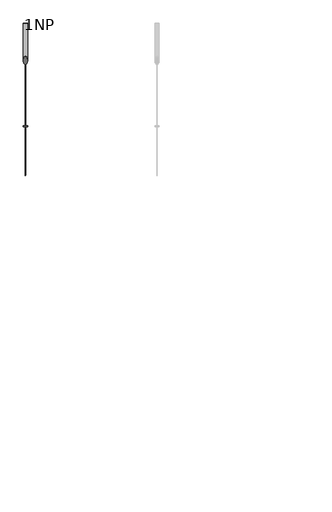
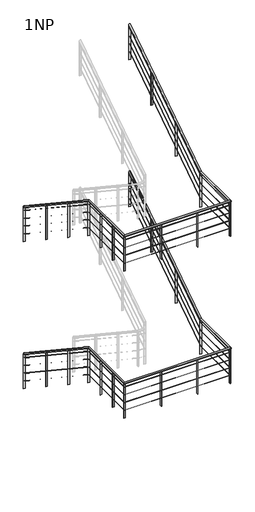
# One storey, part 12 of 52: 1 railing.
"""IFC4 building model written with IfcOpenShell, lengths in millimetres."""

from ifc_helpers import new_model, si_unit, frame, origin, place, context, project, spatial, polyline, ellipse_curve, outline, extrude, element, save
from ifc_brep_helpers import plane_surface, cylinder_surface, advanced_brep

model = new_model("IFC4")

# Units and contexts
model_context = context("Model", 3, world=origin())
ifc_project = project(units=[si_unit("LENGTHUNIT", "METRE", prefix="MILLI")], contexts=[model_context])

# Site, building, storey
site = spatial("IfcSite", under=ifc_project)
building = spatial("IfcBuilding", under=site)
storey = spatial("IfcBuildingStorey", under=building, Name="1NP", Elevation=0.0)

# Railing
placement = place(None, origin())
element("IfcRailing", 1, ObjectType="Stahl (1) - Horizontal", at=placement, inside=storey, context=model_context, shape_type="SolidModel", body=[
    advanced_brep(
    [(30614.131711, 10995.8490399, 4776.9604138), (30574.131711, 10995.8490399, 4776.9604138), (30614.131711, 8258.8719401, 6590.4761905), (30574.131711, 8258.8719401, 6590.4761905), (30614.131711, 6770.6722609, 6590.4761905), (30574.131711, 6730.6722609, 6590.4761905), (33153.2728059, 6770.6722609, 6590.4761905), (33193.2728059, 6730.6722609, 6590.4761905), (33153.2728059, 7997.8261397, 6590.4761905), (33193.2728059, 7997.8261397, 6590.4761905), (33153.2728059, 10995.8490399, 8576.9604138), (33193.2728059, 10995.8490399, 8576.9604138)],
    [
        (0, 1, ellipse_curve(frame((30594.131711, 10995.8490399, 4776.9604138), z_axis=(0.0, 1.0, 0.0), x_axis=(0.0, 0.0, -1.0)), 23.9919671, 20.0)),
        (1, 0, ellipse_curve(frame((30594.131711, 10995.8490399, 4776.9604138), z_axis=(0.0, 1.0, 0.0), x_axis=(0.0, 0.0, -1.0)), 23.9919671, 20.0)),
        (0, 2),
        (2, 3, ellipse_curve(frame((30594.131711, 8258.8719401, 6590.4761905), z_axis=(0.0, 0.9574999596457314, -0.28843340180780547), x_axis=(0.0, -0.28843340180780597, -0.9574999596457312)), 20.8877293, 20.0)),
        (3, 1),
        (3, 2, ellipse_curve(frame((30594.131711, 8258.8719401, 6590.4761905), z_axis=(0.0, 0.9574999596457314, -0.28843340180780547), x_axis=(0.0, -0.28843340180780597, -0.9574999596457312)), 20.8877293, 20.0)),
        (2, 4),
        (4, 5, ellipse_curve(frame((30594.131711, 6750.6722609, 6590.4761905), z_axis=(-0.7071067811865475, 0.7071067811865475, 0.0), x_axis=(0.7071067811865474, 0.7071067811865476, 0.0)), 28.2842712, 20.0)),
        (5, 3),
        (5, 4, ellipse_curve(frame((30594.131711, 6750.6722609, 6590.4761905), z_axis=(-0.7071067811865475, 0.7071067811865475, 0.0), x_axis=(0.7071067811865474, 0.7071067811865476, 0.0)), 28.2842712, 20.0)),
        (4, 6),
        (6, 7, ellipse_curve(frame((33173.2728059, 6750.6722609, 6590.4761905), z_axis=(-0.7071067811865475, -0.7071067811865475, 0.0), x_axis=(-0.7071067811865476, 0.7071067811865474, 0.0)), 28.2842712, 20.0)),
        (7, 5),
        (7, 6, ellipse_curve(frame((33173.2728059, 6750.6722609, 6590.4761905), z_axis=(-0.7071067811865475, -0.7071067811865475, 0.0), x_axis=(-0.7071067811865476, 0.7071067811865474, 0.0)), 28.2842712, 20.0)),
        (6, 8),
        (8, 9, ellipse_curve(frame((33173.2728059, 7997.8261397, 6590.4761905), z_axis=(0.0, -0.9574999596457313, -0.2884334018078055), x_axis=(0.0, -0.28843340180780547, 0.9574999596457313)), 20.8877293, 20.0)),
        (9, 7),
        (9, 8, ellipse_curve(frame((33173.2728059, 7997.8261397, 6590.4761905), z_axis=(0.0, -0.9574999596457313, -0.2884334018078055), x_axis=(0.0, -0.28843340180780547, 0.9574999596457313)), 20.8877293, 20.0)),
        (10, 11, ellipse_curve(frame((33173.2728059, 10995.8490399, 8576.9604138), z_axis=(0.0, 1.0, 0.0), x_axis=(0.0, 0.0, -1.0)), 23.9919671, 20.0)),
        (11, 10, ellipse_curve(frame((33173.2728059, 10995.8490399, 8576.9604138), z_axis=(0.0, 1.0, 0.0), x_axis=(0.0, 0.0, -1.0)), 23.9919671, 20.0)),
        (8, 10),
        (11, 9),
    ],
    [
        plane_surface(frame((30594.131711, 10995.8490399, 4800.952381), z_axis=(0.0, 1.0, 0.0), x_axis=(0.0, 0.0, -1.0))),
        cylinder_surface(frame((30594.131711, 10984.8020411, 4784.280134), z_axis=(0.0, 0.8336123454431542, -0.5523499411829094), x_axis=(-1.0, 0.0, 0.0)), 20.0),
        cylinder_surface(frame((30594.131711, 8264.896659, 6590.4761905), z_axis=(0.0, 1.0, 0.0), x_axis=(-1.0, 0.0, 0.0)), 20.0),
        cylinder_surface(frame((30594.131711, 6750.6722609, 6590.4761905), z_axis=(-1.0, 0.0, 0.0), x_axis=(0.0, -1.0, 0.0)), 20.0),
        cylinder_surface(frame((33173.2728059, 6750.6722609, 6590.4761905), z_axis=(0.0, -1.0, 0.0), x_axis=(1.0, 0.0, 0.0)), 20.0),
        plane_surface(frame((33173.2728059, 10995.8490399, 8600.952381), z_axis=(0.0, 1.0, 0.0), x_axis=(0.0, 0.0, 1.0))),
        cylinder_surface(frame((33173.2728059, 8002.8484197, 6593.8039436), z_axis=(0.0, -0.8336123454431541, -0.5523499411829096), x_axis=(1.0, 0.0, 0.0)), 20.0),
    ],
    [
        (0, [[1, 2]]),
        (1, [[-1, 3, 4, 5]]),
        (1, [[-2, -5, 6, -3]]),
        (2, [[-4, 7, 8, 9]]),
        (2, [[-6, -9, 10, -7]]),
        (3, [[-8, 11, 12, 13]]),
        (3, [[-10, -13, 14, -11]]),
        (4, [[-12, 15, 16, 17]]),
        (4, [[-14, -17, 18, -15]]),
        (5, [[19, 20]]),
        (6, [[-16, 21, -20, 22]]),
        (6, [[-18, -22, -19, -21]]),
    ],
),
    advanced_brep(
    [(30595.631711, 10995.8490399, 4679.1529834), (30592.631711, 10995.8490399, 4679.1529834), (30595.631711, 8264.4448051, 6488.9761905), (30592.631711, 8264.4448051, 6488.9761905), (30595.631711, 6752.1722609, 6488.9761905), (30592.631711, 6749.1722609, 6488.9761905), (33171.7728059, 6752.1722609, 6488.9761905), (33174.7728059, 6749.1722609, 6488.9761905), (33171.7728059, 7992.2532748, 6488.9761905), (33174.7728059, 7992.2532748, 6488.9761905), (33171.7728059, 10995.8490399, 8479.1529834), (33174.7728059, 10995.8490399, 8479.1529834)],
    [
        (0, 1, ellipse_curve(frame((30594.131711, 10995.8490399, 4679.1529834), z_axis=(0.0, 1.0, 0.0), x_axis=(0.0, 0.0, -1.0)), 1.7993975, 1.5)),
        (1, 0, ellipse_curve(frame((30594.131711, 10995.8490399, 4679.1529834), z_axis=(0.0, 1.0, 0.0), x_axis=(0.0, 0.0, -1.0)), 1.7993975, 1.5)),
        (0, 2),
        (2, 3, ellipse_curve(frame((30594.131711, 8264.4448051, 6488.9761905), z_axis=(0.0, 0.9574999596457314, -0.28843340180780547), x_axis=(0.0, -0.28843340180780636, -0.9574999596457312)), 1.5665797, 1.5)),
        (3, 1),
        (3, 2, ellipse_curve(frame((30594.131711, 8264.4448051, 6488.9761905), z_axis=(0.0, 0.9574999596457314, -0.28843340180780547), x_axis=(0.0, -0.28843340180780636, -0.9574999596457312)), 1.5665797, 1.5)),
        (2, 4),
        (4, 5, ellipse_curve(frame((30594.131711, 6750.6722609, 6488.9761905), z_axis=(-0.7071067811865475, 0.7071067811865475, 0.0), x_axis=(0.7071067811865474, 0.7071067811865476, 0.0)), 2.1213203, 1.5)),
        (5, 3),
        (5, 4, ellipse_curve(frame((30594.131711, 6750.6722609, 6488.9761905), z_axis=(-0.7071067811865475, 0.7071067811865475, 0.0), x_axis=(0.7071067811865474, 0.7071067811865476, 0.0)), 2.1213203, 1.5)),
        (4, 6),
        (6, 7, ellipse_curve(frame((33173.2728059, 6750.6722609, 6488.9761905), z_axis=(-0.7071067811865475, -0.7071067811865475, 0.0), x_axis=(-0.7071067811865476, 0.7071067811865474, 0.0)), 2.1213203, 1.5)),
        (7, 5),
        (7, 6, ellipse_curve(frame((33173.2728059, 6750.6722609, 6488.9761905), z_axis=(-0.7071067811865475, -0.7071067811865475, 0.0), x_axis=(-0.7071067811865476, 0.7071067811865474, 0.0)), 2.1213203, 1.5)),
        (6, 8),
        (8, 9, ellipse_curve(frame((33173.2728059, 7992.2532748, 6488.9761905), z_axis=(0.0, -0.9574999596457313, -0.2884334018078055), x_axis=(0.0, -0.28843340180780536, 0.9574999596457313)), 1.5665797, 1.5)),
        (9, 7),
        (9, 8, ellipse_curve(frame((33173.2728059, 7992.2532748, 6488.9761905), z_axis=(0.0, -0.9574999596457313, -0.2884334018078055), x_axis=(0.0, -0.28843340180780536, 0.9574999596457313)), 1.5665797, 1.5)),
        (10, 11, ellipse_curve(frame((33173.2728059, 10995.8490399, 8479.1529834), z_axis=(0.0, 1.0, 0.0), x_axis=(0.0, 0.0, -1.0)), 1.7993975, 1.5)),
        (11, 10, ellipse_curve(frame((33173.2728059, 10995.8490399, 8479.1529834), z_axis=(0.0, 1.0, 0.0), x_axis=(0.0, 0.0, -1.0)), 1.7993975, 1.5)),
        (8, 10),
        (11, 9),
    ],
    [
        plane_surface(frame((30594.131711, 10995.8490399, 4680.952381), z_axis=(0.0, 1.0, 0.0), x_axis=(0.0, 0.0, -1.0))),
        cylinder_surface(frame((30594.131711, 10995.020515, 4679.7019624), z_axis=(0.0, 0.8336123454431541, -0.5523499411829094), x_axis=(-1.0, 0.0, 0.0)), 1.5),
        cylinder_surface(frame((30594.131711, 8264.896659, 6488.9761905), z_axis=(0.0, 1.0, 0.0), x_axis=(-1.0, 0.0, 0.0)), 1.5),
        cylinder_surface(frame((30594.131711, 6750.6722609, 6488.9761905), z_axis=(-1.0, 0.0, 0.0), x_axis=(0.0, -1.0, 0.0)), 1.5),
        cylinder_surface(frame((33173.2728059, 6750.6722609, 6488.9761905), z_axis=(0.0, -1.0, 0.0), x_axis=(1.0, 0.0, 0.0)), 1.5),
        plane_surface(frame((33173.2728059, 10995.8490399, 8480.952381), z_axis=(0.0, 1.0, 0.0), x_axis=(0.0, 0.0, 1.0))),
        cylinder_surface(frame((33173.2728059, 7992.6299458, 6489.225772), z_axis=(0.0, -0.8336123454431541, -0.5523499411829096), x_axis=(1.0, 0.0, 0.0)), 1.5),
    ],
    [
        (0, [[1, 2]]),
        (1, [[-1, 3, 4, 5]]),
        (1, [[-2, -5, 6, -3]]),
        (2, [[-4, 7, 8, 9]]),
        (2, [[-6, -9, 10, -7]]),
        (3, [[-8, 11, 12, 13]]),
        (3, [[-10, -13, 14, -11]]),
        (4, [[-12, 15, 16, 17]]),
        (4, [[-14, -17, 18, -15]]),
        (5, [[19, 20]]),
        (6, [[-16, 21, -20, 22]]),
        (6, [[-18, -22, -19, -21]]),
    ],
),
    advanced_brep(
    [(30595.631711, 10995.8490399, 4479.1529834), (30592.631711, 10995.8490399, 4479.1529834), (30595.631711, 8264.4448051, 6288.9761905), (30592.631711, 8264.4448051, 6288.9761905), (30595.631711, 6752.1722609, 6288.9761905), (30592.631711, 6749.1722609, 6288.9761905), (33171.7728059, 6752.1722609, 6288.9761905), (33174.7728059, 6749.1722609, 6288.9761905), (33171.7728059, 7992.2532748, 6288.9761905), (33174.7728059, 7992.2532748, 6288.9761905), (33171.7728059, 10995.8490399, 8279.1529834), (33174.7728059, 10995.8490399, 8279.1529834)],
    [
        (0, 1, ellipse_curve(frame((30594.131711, 10995.8490399, 4479.1529834), z_axis=(0.0, 1.0, 0.0), x_axis=(0.0, 0.0, -1.0)), 1.7993975, 1.5)),
        (1, 0, ellipse_curve(frame((30594.131711, 10995.8490399, 4479.1529834), z_axis=(0.0, 1.0, 0.0), x_axis=(0.0, 0.0, -1.0)), 1.7993975, 1.5)),
        (0, 2),
        (2, 3, ellipse_curve(frame((30594.131711, 8264.4448051, 6288.9761905), z_axis=(0.0, 0.9574999596457314, -0.28843340180780547), x_axis=(0.0, -0.28843340180780636, -0.9574999596457312)), 1.5665797, 1.5)),
        (3, 1),
        (3, 2, ellipse_curve(frame((30594.131711, 8264.4448051, 6288.9761905), z_axis=(0.0, 0.9574999596457314, -0.28843340180780547), x_axis=(0.0, -0.28843340180780636, -0.9574999596457312)), 1.5665797, 1.5)),
        (2, 4),
        (4, 5, ellipse_curve(frame((30594.131711, 6750.6722609, 6288.9761905), z_axis=(-0.7071067811865475, 0.7071067811865475, 0.0), x_axis=(0.7071067811865474, 0.7071067811865476, 0.0)), 2.1213203, 1.5)),
        (5, 3),
        (5, 4, ellipse_curve(frame((30594.131711, 6750.6722609, 6288.9761905), z_axis=(-0.7071067811865475, 0.7071067811865475, 0.0), x_axis=(0.7071067811865474, 0.7071067811865476, 0.0)), 2.1213203, 1.5)),
        (4, 6),
        (6, 7, ellipse_curve(frame((33173.2728059, 6750.6722609, 6288.9761905), z_axis=(-0.7071067811865475, -0.7071067811865475, 0.0), x_axis=(-0.7071067811865476, 0.7071067811865474, 0.0)), 2.1213203, 1.5)),
        (7, 5),
        (7, 6, ellipse_curve(frame((33173.2728059, 6750.6722609, 6288.9761905), z_axis=(-0.7071067811865475, -0.7071067811865475, 0.0), x_axis=(-0.7071067811865476, 0.7071067811865474, 0.0)), 2.1213203, 1.5)),
        (6, 8),
        (8, 9, ellipse_curve(frame((33173.2728059, 7992.2532748, 6288.9761905), z_axis=(0.0, -0.9574999596457313, -0.2884334018078055), x_axis=(0.0, -0.28843340180780536, 0.9574999596457313)), 1.5665797, 1.5)),
        (9, 7),
        (9, 8, ellipse_curve(frame((33173.2728059, 7992.2532748, 6288.9761905), z_axis=(0.0, -0.9574999596457313, -0.2884334018078055), x_axis=(0.0, -0.28843340180780536, 0.9574999596457313)), 1.5665797, 1.5)),
        (10, 11, ellipse_curve(frame((33173.2728059, 10995.8490399, 8279.1529834), z_axis=(0.0, 1.0, 0.0), x_axis=(0.0, 0.0, -1.0)), 1.7993975, 1.5)),
        (11, 10, ellipse_curve(frame((33173.2728059, 10995.8490399, 8279.1529834), z_axis=(0.0, 1.0, 0.0), x_axis=(0.0, 0.0, -1.0)), 1.7993975, 1.5)),
        (8, 10),
        (11, 9),
    ],
    [
        plane_surface(frame((30594.131711, 10995.8490399, 4480.952381), z_axis=(0.0, 1.0, 0.0), x_axis=(0.0, 0.0, -1.0))),
        cylinder_surface(frame((30594.131711, 10995.020515, 4479.7019624), z_axis=(0.0, 0.8336123454431541, -0.5523499411829094), x_axis=(-1.0, 0.0, 0.0)), 1.5),
        cylinder_surface(frame((30594.131711, 8264.896659, 6288.9761905), z_axis=(0.0, 1.0, 0.0), x_axis=(-1.0, 0.0, 0.0)), 1.5),
        cylinder_surface(frame((30594.131711, 6750.6722609, 6288.9761905), z_axis=(-1.0, 0.0, 0.0), x_axis=(0.0, -1.0, 0.0)), 1.5),
        cylinder_surface(frame((33173.2728059, 6750.6722609, 6288.9761905), z_axis=(0.0, -1.0, 0.0), x_axis=(1.0, 0.0, 0.0)), 1.5),
        plane_surface(frame((33173.2728059, 10995.8490399, 8280.952381), z_axis=(0.0, 1.0, 0.0), x_axis=(0.0, 0.0, 1.0))),
        cylinder_surface(frame((33173.2728059, 7992.6299458, 6289.225772), z_axis=(0.0, -0.8336123454431541, -0.5523499411829096), x_axis=(1.0, 0.0, 0.0)), 1.5),
    ],
    [
        (0, [[1, 2]]),
        (1, [[-1, 3, 4, 5]]),
        (1, [[-2, -5, 6, -3]]),
        (2, [[-4, 7, 8, 9]]),
        (2, [[-6, -9, 10, -7]]),
        (3, [[-8, 11, 12, 13]]),
        (3, [[-10, -13, 14, -11]]),
        (4, [[-12, 15, 16, 17]]),
        (4, [[-14, -17, 18, -15]]),
        (5, [[19, 20]]),
        (6, [[-16, 21, -20, 22]]),
        (6, [[-18, -22, -19, -21]]),
    ],
),
    advanced_brep(
    [(30595.631711, 10995.8490399, 4279.1529834), (30592.631711, 10995.8490399, 4279.1529834), (30595.631711, 8264.4448051, 6088.9761905), (30592.631711, 8264.4448051, 6088.9761905), (30595.631711, 6752.1722609, 6088.9761905), (30592.631711, 6749.1722609, 6088.9761905), (33171.7728059, 6752.1722609, 6088.9761905), (33174.7728059, 6749.1722609, 6088.9761905), (33171.7728059, 7992.2532748, 6088.9761905), (33174.7728059, 7992.2532748, 6088.9761905), (33171.7728059, 10995.8490399, 8079.1529834), (33174.7728059, 10995.8490399, 8079.1529834)],
    [
        (0, 1, ellipse_curve(frame((30594.131711, 10995.8490399, 4279.1529834), z_axis=(0.0, 1.0, 0.0), x_axis=(0.0, 0.0, -1.0)), 1.7993975, 1.5)),
        (1, 0, ellipse_curve(frame((30594.131711, 10995.8490399, 4279.1529834), z_axis=(0.0, 1.0, 0.0), x_axis=(0.0, 0.0, -1.0)), 1.7993975, 1.5)),
        (0, 2),
        (2, 3, ellipse_curve(frame((30594.131711, 8264.4448051, 6088.9761905), z_axis=(0.0, 0.9574999596457314, -0.28843340180780547), x_axis=(0.0, -0.28843340180780636, -0.9574999596457312)), 1.5665797, 1.5)),
        (3, 1),
        (3, 2, ellipse_curve(frame((30594.131711, 8264.4448051, 6088.9761905), z_axis=(0.0, 0.9574999596457314, -0.28843340180780547), x_axis=(0.0, -0.28843340180780636, -0.9574999596457312)), 1.5665797, 1.5)),
        (2, 4),
        (4, 5, ellipse_curve(frame((30594.131711, 6750.6722609, 6088.9761905), z_axis=(-0.7071067811865475, 0.7071067811865475, 0.0), x_axis=(0.7071067811865474, 0.7071067811865476, 0.0)), 2.1213203, 1.5)),
        (5, 3),
        (5, 4, ellipse_curve(frame((30594.131711, 6750.6722609, 6088.9761905), z_axis=(-0.7071067811865475, 0.7071067811865475, 0.0), x_axis=(0.7071067811865474, 0.7071067811865476, 0.0)), 2.1213203, 1.5)),
        (4, 6),
        (6, 7, ellipse_curve(frame((33173.2728059, 6750.6722609, 6088.9761905), z_axis=(-0.7071067811865475, -0.7071067811865475, 0.0), x_axis=(-0.7071067811865476, 0.7071067811865474, 0.0)), 2.1213203, 1.5)),
        (7, 5),
        (7, 6, ellipse_curve(frame((33173.2728059, 6750.6722609, 6088.9761905), z_axis=(-0.7071067811865475, -0.7071067811865475, 0.0), x_axis=(-0.7071067811865476, 0.7071067811865474, 0.0)), 2.1213203, 1.5)),
        (6, 8),
        (8, 9, ellipse_curve(frame((33173.2728059, 7992.2532748, 6088.9761905), z_axis=(0.0, -0.9574999596457313, -0.2884334018078055), x_axis=(0.0, -0.28843340180780536, 0.9574999596457313)), 1.5665797, 1.5)),
        (9, 7),
        (9, 8, ellipse_curve(frame((33173.2728059, 7992.2532748, 6088.9761905), z_axis=(0.0, -0.9574999596457313, -0.2884334018078055), x_axis=(0.0, -0.28843340180780536, 0.9574999596457313)), 1.5665797, 1.5)),
        (10, 11, ellipse_curve(frame((33173.2728059, 10995.8490399, 8079.1529834), z_axis=(0.0, 1.0, 0.0), x_axis=(0.0, 0.0, -1.0)), 1.7993975, 1.5)),
        (11, 10, ellipse_curve(frame((33173.2728059, 10995.8490399, 8079.1529834), z_axis=(0.0, 1.0, 0.0), x_axis=(0.0, 0.0, -1.0)), 1.7993975, 1.5)),
        (8, 10),
        (11, 9),
    ],
    [
        plane_surface(frame((30594.131711, 10995.8490399, 4280.952381), z_axis=(0.0, 1.0, 0.0), x_axis=(0.0, 0.0, -1.0))),
        cylinder_surface(frame((30594.131711, 10995.020515, 4279.7019624), z_axis=(0.0, 0.8336123454431541, -0.5523499411829094), x_axis=(-1.0, 0.0, 0.0)), 1.5),
        cylinder_surface(frame((30594.131711, 8264.896659, 6088.9761905), z_axis=(0.0, 1.0, 0.0), x_axis=(-1.0, 0.0, 0.0)), 1.5),
        cylinder_surface(frame((30594.131711, 6750.6722609, 6088.9761905), z_axis=(-1.0, 0.0, 0.0), x_axis=(0.0, -1.0, 0.0)), 1.5),
        cylinder_surface(frame((33173.2728059, 6750.6722609, 6088.9761905), z_axis=(0.0, -1.0, 0.0), x_axis=(1.0, 0.0, 0.0)), 1.5),
        plane_surface(frame((33173.2728059, 10995.8490399, 8080.952381), z_axis=(0.0, 1.0, 0.0), x_axis=(0.0, 0.0, 1.0))),
        cylinder_surface(frame((33173.2728059, 7992.6299458, 6089.225772), z_axis=(0.0, -0.8336123454431541, -0.5523499411829096), x_axis=(1.0, 0.0, 0.0)), 1.5),
    ],
    [
        (0, [[1, 2]]),
        (1, [[-1, 3, 4, 5]]),
        (1, [[-2, -5, 6, -3]]),
        (2, [[-4, 7, 8, 9]]),
        (2, [[-6, -9, 10, -7]]),
        (3, [[-8, 11, 12, 13]]),
        (3, [[-10, -13, 14, -11]]),
        (4, [[-12, 15, 16, 17]]),
        (4, [[-14, -17, 18, -15]]),
        (5, [[19, 20]]),
        (6, [[-16, 21, -20, 22]]),
        (6, [[-18, -22, -19, -21]]),
    ],
),
    advanced_brep(
    [(30595.631711, 10995.8490399, 4079.1529834), (30592.631711, 10995.8490399, 4079.1529834), (30595.631711, 8264.4448051, 5888.9761905), (30592.631711, 8264.4448051, 5888.9761905), (30595.631711, 6752.1722609, 5888.9761905), (30592.631711, 6749.1722609, 5888.9761905), (33171.7728059, 6752.1722609, 5888.9761905), (33174.7728059, 6749.1722609, 5888.9761905), (33171.7728059, 7992.2532748, 5888.9761905), (33174.7728059, 7992.2532748, 5888.9761905), (33171.7728059, 10995.8490399, 7879.1529834), (33174.7728059, 10995.8490399, 7879.1529834)],
    [
        (0, 1, ellipse_curve(frame((30594.131711, 10995.8490399, 4079.1529834), z_axis=(0.0, 1.0, 0.0), x_axis=(0.0, 0.0, -1.0)), 1.7993975, 1.5)),
        (1, 0, ellipse_curve(frame((30594.131711, 10995.8490399, 4079.1529834), z_axis=(0.0, 1.0, 0.0), x_axis=(0.0, 0.0, -1.0)), 1.7993975, 1.5)),
        (0, 2),
        (2, 3, ellipse_curve(frame((30594.131711, 8264.4448051, 5888.9761905), z_axis=(0.0, 0.9574999596457314, -0.28843340180780547), x_axis=(0.0, -0.28843340180780597, -0.9574999596457312)), 1.5665797, 1.5)),
        (3, 1),
        (3, 2, ellipse_curve(frame((30594.131711, 8264.4448051, 5888.9761905), z_axis=(0.0, 0.9574999596457314, -0.28843340180780547), x_axis=(0.0, -0.28843340180780597, -0.9574999596457312)), 1.5665797, 1.5)),
        (2, 4),
        (4, 5, ellipse_curve(frame((30594.131711, 6750.6722609, 5888.9761905), z_axis=(-0.7071067811865475, 0.7071067811865475, 0.0), x_axis=(0.7071067811865474, 0.7071067811865476, 0.0)), 2.1213203, 1.5)),
        (5, 3),
        (5, 4, ellipse_curve(frame((30594.131711, 6750.6722609, 5888.9761905), z_axis=(-0.7071067811865475, 0.7071067811865475, 0.0), x_axis=(0.7071067811865474, 0.7071067811865476, 0.0)), 2.1213203, 1.5)),
        (4, 6),
        (6, 7, ellipse_curve(frame((33173.2728059, 6750.6722609, 5888.9761905), z_axis=(-0.7071067811865475, -0.7071067811865475, 0.0), x_axis=(-0.7071067811865476, 0.7071067811865474, 0.0)), 2.1213203, 1.5)),
        (7, 5),
        (7, 6, ellipse_curve(frame((33173.2728059, 6750.6722609, 5888.9761905), z_axis=(-0.7071067811865475, -0.7071067811865475, 0.0), x_axis=(-0.7071067811865476, 0.7071067811865474, 0.0)), 2.1213203, 1.5)),
        (6, 8),
        (8, 9, ellipse_curve(frame((33173.2728059, 7992.2532748, 5888.9761905), z_axis=(0.0, -0.9574999596457313, -0.2884334018078055), x_axis=(0.0, -0.28843340180780547, 0.9574999596457313)), 1.5665797, 1.5)),
        (9, 7),
        (9, 8, ellipse_curve(frame((33173.2728059, 7992.2532748, 5888.9761905), z_axis=(0.0, -0.9574999596457313, -0.2884334018078055), x_axis=(0.0, -0.28843340180780547, 0.9574999596457313)), 1.5665797, 1.5)),
        (10, 11, ellipse_curve(frame((33173.2728059, 10995.8490399, 7879.1529834), z_axis=(0.0, 1.0, 0.0), x_axis=(0.0, 0.0, -1.0)), 1.7993975, 1.5)),
        (11, 10, ellipse_curve(frame((33173.2728059, 10995.8490399, 7879.1529834), z_axis=(0.0, 1.0, 0.0), x_axis=(0.0, 0.0, -1.0)), 1.7993975, 1.5)),
        (8, 10),
        (11, 9),
    ],
    [
        plane_surface(frame((30594.131711, 10995.8490399, 4080.952381), z_axis=(0.0, 1.0, 0.0), x_axis=(0.0, 0.0, -1.0))),
        cylinder_surface(frame((30594.131711, 10995.020515, 4079.7019624), z_axis=(0.0, 0.8336123454431542, -0.5523499411829094), x_axis=(-1.0, 0.0, 0.0)), 1.5),
        cylinder_surface(frame((30594.131711, 8264.896659, 5888.9761905), z_axis=(0.0, 1.0, 0.0), x_axis=(-1.0, 0.0, 0.0)), 1.5),
        cylinder_surface(frame((30594.131711, 6750.6722609, 5888.9761905), z_axis=(-1.0, 0.0, 0.0), x_axis=(0.0, -1.0, 0.0)), 1.5),
        cylinder_surface(frame((33173.2728059, 6750.6722609, 5888.9761905), z_axis=(0.0, -1.0, 0.0), x_axis=(1.0, 0.0, 0.0)), 1.5),
        plane_surface(frame((33173.2728059, 10995.8490399, 7880.952381), z_axis=(0.0, 1.0, 0.0), x_axis=(0.0, 0.0, 1.0))),
        cylinder_surface(frame((33173.2728059, 7992.6299458, 5889.225772), z_axis=(0.0, -0.8336123454431541, -0.5523499411829096), x_axis=(1.0, 0.0, 0.0)), 1.5),
    ],
    [
        (0, [[1, 2]]),
        (1, [[-1, 3, 4, 5]]),
        (1, [[-2, -5, 6, -3]]),
        (2, [[-4, 7, 8, 9]]),
        (2, [[-6, -9, 10, -7]]),
        (3, [[-8, 11, 12, 13]]),
        (3, [[-10, -13, 14, -11]]),
        (4, [[-12, 15, 16, 17]]),
        (4, [[-14, -17, 18, -15]]),
        (5, [[19, 20]]),
        (6, [[-16, 21, -20, 22]]),
        (6, [[-18, -22, -19, -21]]),
    ],
),
    extrude(outline(polyline([(10059.5583995, 7063.2183908), (10059.5583995, 7932.5840642), (10067.5583995, 7937.8848489), (10067.5583995, 7063.2183908), (10059.5583995, 7063.2183908)])), frame((33153.2728059, 0.0, 0.0), z_axis=(1.0, 0.0, 0.0), x_axis=(0.0, 1.0, 0.0)), (0.0, 0.0, 1.0), 40.0),
    extrude(outline(polyline([(9023.6799102, 6376.8472906), (9023.6799102, 7246.212964), (9031.6799102, 7251.5137487), (9031.6799102, 6376.8472906), (9023.6799102, 6376.8472906)])), frame((33153.2728059, 0.0, 0.0), z_axis=(1.0, 0.0, 0.0), x_axis=(0.0, 1.0, 0.0)), (0.0, 0.0, 1.0), 40.0),
    extrude(outline(polyline([(32368.8497075, 6730.6722609), (32368.8497075, 6770.6722609), (32376.8497075, 6770.6722609), (32376.8497075, 6730.6722609), (32368.8497075, 6730.6722609)])), frame((0.0, 0.0, 5690.4761905), z_axis=(0.0, 0.0, 1.0), x_axis=(1.0, 0.0, 0.0)), (0.0, 0.0, 1.0), 880.0),
    extrude(outline(polyline([(31479.4907093, 6730.6722609), (31479.4907093, 6770.6722609), (31487.4907093, 6770.6722609), (31487.4907093, 6730.6722609), (31479.4907093, 6730.6722609)])), frame((0.0, 0.0, 5690.4761905), z_axis=(0.0, 0.0, 1.0), x_axis=(1.0, 0.0, 0.0)), (0.0, 0.0, 1.0), 880.0),
    extrude(outline(polyline([(30574.131711, 7224.6039706), (30614.131711, 7224.6039706), (30614.131711, 7216.6039706), (30574.131711, 7216.6039706), (30574.131711, 7224.6039706)])), frame((0.0, 0.0, 5690.4761905), z_axis=(0.0, 0.0, 1.0), x_axis=(1.0, 0.0, 0.0)), (0.0, 0.0, 1.0), 880.0),
    extrude(outline(polyline([(30574.131711, 7746.7503148), (30614.131711, 7746.7503148), (30614.131711, 7738.7503148), (30574.131711, 7738.7503148), (30574.131711, 7746.7503148)])), frame((0.0, 0.0, 5690.4761905), z_axis=(0.0, 0.0, 1.0), x_axis=(1.0, 0.0, 0.0)), (0.0, 0.0, 1.0), 880.0),
    extrude(outline(polyline([(9116.4336048, 5998.2655092), (9116.4336048, 5128.8998358), (9108.4336048, 5128.8998358), (9108.4336048, 6003.5662938), (9116.4336048, 5998.2655092)])), frame((30574.131711, 0.0, 0.0), z_axis=(1.0, 0.0, 0.0), x_axis=(0.0, 1.0, 0.0)), (0.0, 0.0, 1.0), 40.0),
    extrude(outline(polyline([(10058.1413224, 5374.2917818), (10058.1413224, 4504.9261084), (10050.1413224, 4504.9261084), (10050.1413224, 5379.5925664), (10058.1413224, 5374.2917818)])), frame((30574.131711, 0.0, 0.0), z_axis=(1.0, 0.0, 0.0), x_axis=(0.0, 1.0, 0.0)), (0.0, 0.0, 1.0), 40.0),
    extrude(outline(polyline([(33193.2728059, 7987.8014209), (33153.2728059, 7987.8014209), (33153.2728059, 7995.8014209), (33193.2728059, 7995.8014209), (33193.2728059, 7987.8014209)])), frame((0.0, 0.0, 5690.4761905), z_axis=(0.0, 0.0, 1.0), x_axis=(1.0, 0.0, 0.0)), (0.0, 0.0, 1.0), 880.0),
    extrude(outline(polyline([(33169.2728059, 6730.6722609), (33169.2728059, 6770.6722609), (33177.2728059, 6770.6722609), (33177.2728059, 6730.6722609), (33169.2728059, 6730.6722609)])), frame((0.0, 0.0, 5690.4761905), z_axis=(0.0, 0.0, 1.0), x_axis=(1.0, 0.0, 0.0)), (0.0, 0.0, 1.0), 880.0),
    extrude(outline(polyline([(30574.131711, 6754.6722609), (30614.131711, 6754.6722609), (30614.131711, 6746.6722609), (30574.131711, 6746.6722609), (30574.131711, 6754.6722609)])), frame((0.0, 0.0, 5690.4761905), z_axis=(0.0, 0.0, 1.0), x_axis=(1.0, 0.0, 0.0)), (0.0, 0.0, 1.0), 880.0),
    extrude(outline(polyline([(30574.131711, 8268.896659), (30614.131711, 8268.896659), (30614.131711, 8260.896659), (30574.131711, 8260.896659), (30574.131711, 8268.896659)])), frame((0.0, 0.0, 5690.4761905), z_axis=(0.0, 0.0, 1.0), x_axis=(1.0, 0.0, 0.0)), (0.0, 0.0, 1.0), 880.0),
    extrude(outline(polyline([(10991.8490399, 7680.952381), (10991.8490399, 8550.3180543), (10999.8490399, 8555.618839), (10999.8490399, 7680.952381), (10991.8490399, 7680.952381)])), frame((33153.2728059, 0.0, 0.0), z_axis=(1.0, 0.0, 0.0), x_axis=(0.0, 1.0, 0.0)), (0.0, 0.0, 1.0), 40.0),
    extrude(outline(polyline([(10999.8490399, 4750.3180543), (10999.8490399, 3880.952381), (10991.8490399, 3880.952381), (10991.8490399, 4755.618839), (10999.8490399, 4750.3180543)])), frame((30574.131711, 0.0, 0.0), z_axis=(1.0, 0.0, 0.0), x_axis=(0.0, 1.0, 0.0)), (0.0, 0.0, 1.0), 40.0),
    advanced_brep(
    [(30614.131711, 10995.8490399, 976.9604138), (30574.131711, 10995.8490399, 976.9604138), (30614.131711, 8258.8719401, 2790.4761905), (30574.131711, 8258.8719401, 2790.4761905), (30614.131711, 6770.6722609, 2790.4761905), (30574.131711, 6730.6722609, 2790.4761905), (33153.2728059, 6770.6722609, 2790.4761905), (33193.2728059, 6730.6722609, 2790.4761905), (33153.2728059, 7997.8261397, 2790.4761905), (33193.2728059, 7997.8261397, 2790.4761905), (33153.2728059, 10995.8490399, 4776.9604138), (33193.2728059, 10995.8490399, 4776.9604138)],
    [
        (0, 1, ellipse_curve(frame((30594.131711, 10995.8490399, 976.9604138), z_axis=(0.0, 1.0, 0.0), x_axis=(0.0, 0.0, -1.0)), 23.9919671, 20.0)),
        (1, 0, ellipse_curve(frame((30594.131711, 10995.8490399, 976.9604138), z_axis=(0.0, 1.0, 0.0), x_axis=(0.0, 0.0, -1.0)), 23.9919671, 20.0)),
        (0, 2),
        (2, 3, ellipse_curve(frame((30594.131711, 8258.8719401, 2790.4761905), z_axis=(0.0, 0.9574999596457314, -0.28843340180780547), x_axis=(0.0, -0.28843340180780597, -0.9574999596457312)), 20.8877293, 20.0)),
        (3, 1),
        (3, 2, ellipse_curve(frame((30594.131711, 8258.8719401, 2790.4761905), z_axis=(0.0, 0.9574999596457314, -0.28843340180780547), x_axis=(0.0, -0.28843340180780597, -0.9574999596457312)), 20.8877293, 20.0)),
        (2, 4),
        (4, 5, ellipse_curve(frame((30594.131711, 6750.6722609, 2790.4761905), z_axis=(-0.7071067811865475, 0.7071067811865475, 0.0), x_axis=(0.7071067811865474, 0.7071067811865476, 0.0)), 28.2842712, 20.0)),
        (5, 3),
        (5, 4, ellipse_curve(frame((30594.131711, 6750.6722609, 2790.4761905), z_axis=(-0.7071067811865475, 0.7071067811865475, 0.0), x_axis=(0.7071067811865474, 0.7071067811865476, 0.0)), 28.2842712, 20.0)),
        (4, 6),
        (6, 7, ellipse_curve(frame((33173.2728059, 6750.6722609, 2790.4761905), z_axis=(-0.7071067811865475, -0.7071067811865475, 0.0), x_axis=(-0.7071067811865476, 0.7071067811865474, 0.0)), 28.2842712, 20.0)),
        (7, 5),
        (7, 6, ellipse_curve(frame((33173.2728059, 6750.6722609, 2790.4761905), z_axis=(-0.7071067811865475, -0.7071067811865475, 0.0), x_axis=(-0.7071067811865476, 0.7071067811865474, 0.0)), 28.2842712, 20.0)),
        (6, 8),
        (8, 9, ellipse_curve(frame((33173.2728059, 7997.8261397, 2790.4761905), z_axis=(0.0, -0.9574999596457313, -0.2884334018078055), x_axis=(0.0, -0.28843340180780547, 0.9574999596457313)), 20.8877293, 20.0)),
        (9, 7),
        (9, 8, ellipse_curve(frame((33173.2728059, 7997.8261397, 2790.4761905), z_axis=(0.0, -0.9574999596457313, -0.2884334018078055), x_axis=(0.0, -0.28843340180780547, 0.9574999596457313)), 20.8877293, 20.0)),
        (10, 11, ellipse_curve(frame((33173.2728059, 10995.8490399, 4776.9604138), z_axis=(0.0, 1.0, 0.0), x_axis=(0.0, 0.0, -1.0)), 23.9919671, 20.0)),
        (11, 10, ellipse_curve(frame((33173.2728059, 10995.8490399, 4776.9604138), z_axis=(0.0, 1.0, 0.0), x_axis=(0.0, 0.0, -1.0)), 23.9919671, 20.0)),
        (8, 10),
        (11, 9),
    ],
    [
        plane_surface(frame((30594.131711, 10995.8490399, 1000.952381), z_axis=(0.0, 1.0, 0.0), x_axis=(0.0, 0.0, -1.0))),
        cylinder_surface(frame((30594.131711, 10984.8020411, 984.280134), z_axis=(0.0, 0.8336123454431542, -0.5523499411829094), x_axis=(-1.0, 0.0, 0.0)), 20.0),
        cylinder_surface(frame((30594.131711, 8264.896659, 2790.4761905), z_axis=(0.0, 1.0, 0.0), x_axis=(-1.0, 0.0, 0.0)), 20.0),
        cylinder_surface(frame((30594.131711, 6750.6722609, 2790.4761905), z_axis=(-1.0, 0.0, 0.0), x_axis=(0.0, -1.0, 0.0)), 20.0),
        cylinder_surface(frame((33173.2728059, 6750.6722609, 2790.4761905), z_axis=(0.0, -1.0, 0.0), x_axis=(1.0, 0.0, 0.0)), 20.0),
        plane_surface(frame((33173.2728059, 10995.8490399, 4800.952381), z_axis=(0.0, 1.0, 0.0), x_axis=(0.0, 0.0, 1.0))),
        cylinder_surface(frame((33173.2728059, 8002.8484197, 2793.8039436), z_axis=(0.0, -0.8336123454431541, -0.5523499411829096), x_axis=(1.0, 0.0, 0.0)), 20.0),
    ],
    [
        (0, [[1, 2]]),
        (1, [[-1, 3, 4, 5]]),
        (1, [[-2, -5, 6, -3]]),
        (2, [[-4, 7, 8, 9]]),
        (2, [[-6, -9, 10, -7]]),
        (3, [[-8, 11, 12, 13]]),
        (3, [[-10, -13, 14, -11]]),
        (4, [[-12, 15, 16, 17]]),
        (4, [[-14, -17, 18, -15]]),
        (5, [[19, 20]]),
        (6, [[-16, 21, -20, 22]]),
        (6, [[-18, -22, -19, -21]]),
    ],
),
    advanced_brep(
    [(30595.631711, 10995.8490399, 879.1529834), (30592.631711, 10995.8490399, 879.1529834), (30595.631711, 8264.4448051, 2688.9761905), (30592.631711, 8264.4448051, 2688.9761905), (30595.631711, 6752.1722609, 2688.9761905), (30592.631711, 6749.1722609, 2688.9761905), (33171.7728059, 6752.1722609, 2688.9761905), (33174.7728059, 6749.1722609, 2688.9761905), (33171.7728059, 7992.2532748, 2688.9761905), (33174.7728059, 7992.2532748, 2688.9761905), (33171.7728059, 10995.8490399, 4679.1529834), (33174.7728059, 10995.8490399, 4679.1529834)],
    [
        (0, 1, ellipse_curve(frame((30594.131711, 10995.8490399, 879.1529834), z_axis=(0.0, 1.0, 0.0), x_axis=(0.0, 0.0, -1.0)), 1.7993975, 1.5)),
        (1, 0, ellipse_curve(frame((30594.131711, 10995.8490399, 879.1529834), z_axis=(0.0, 1.0, 0.0), x_axis=(0.0, 0.0, -1.0)), 1.7993975, 1.5)),
        (0, 2),
        (2, 3, ellipse_curve(frame((30594.131711, 8264.4448051, 2688.9761905), z_axis=(0.0, 0.9574999596457314, -0.28843340180780547), x_axis=(0.0, -0.28843340180780636, -0.9574999596457312)), 1.5665797, 1.5)),
        (3, 1),
        (3, 2, ellipse_curve(frame((30594.131711, 8264.4448051, 2688.9761905), z_axis=(0.0, 0.9574999596457314, -0.28843340180780547), x_axis=(0.0, -0.28843340180780636, -0.9574999596457312)), 1.5665797, 1.5)),
        (2, 4),
        (4, 5, ellipse_curve(frame((30594.131711, 6750.6722609, 2688.9761905), z_axis=(-0.7071067811865475, 0.7071067811865475, 0.0), x_axis=(0.7071067811865474, 0.7071067811865476, 0.0)), 2.1213203, 1.5)),
        (5, 3),
        (5, 4, ellipse_curve(frame((30594.131711, 6750.6722609, 2688.9761905), z_axis=(-0.7071067811865475, 0.7071067811865475, 0.0), x_axis=(0.7071067811865474, 0.7071067811865476, 0.0)), 2.1213203, 1.5)),
        (4, 6),
        (6, 7, ellipse_curve(frame((33173.2728059, 6750.6722609, 2688.9761905), z_axis=(-0.7071067811865475, -0.7071067811865475, 0.0), x_axis=(-0.7071067811865476, 0.7071067811865474, 0.0)), 2.1213203, 1.5)),
        (7, 5),
        (7, 6, ellipse_curve(frame((33173.2728059, 6750.6722609, 2688.9761905), z_axis=(-0.7071067811865475, -0.7071067811865475, 0.0), x_axis=(-0.7071067811865476, 0.7071067811865474, 0.0)), 2.1213203, 1.5)),
        (6, 8),
        (8, 9, ellipse_curve(frame((33173.2728059, 7992.2532748, 2688.9761905), z_axis=(0.0, -0.9574999596457313, -0.2884334018078055), x_axis=(0.0, -0.28843340180780536, 0.9574999596457313)), 1.5665797, 1.5)),
        (9, 7),
        (9, 8, ellipse_curve(frame((33173.2728059, 7992.2532748, 2688.9761905), z_axis=(0.0, -0.9574999596457313, -0.2884334018078055), x_axis=(0.0, -0.28843340180780536, 0.9574999596457313)), 1.5665797, 1.5)),
        (10, 11, ellipse_curve(frame((33173.2728059, 10995.8490399, 4679.1529834), z_axis=(0.0, 1.0, 0.0), x_axis=(0.0, 0.0, -1.0)), 1.7993975, 1.5)),
        (11, 10, ellipse_curve(frame((33173.2728059, 10995.8490399, 4679.1529834), z_axis=(0.0, 1.0, 0.0), x_axis=(0.0, 0.0, -1.0)), 1.7993975, 1.5)),
        (8, 10),
        (11, 9),
    ],
    [
        plane_surface(frame((30594.131711, 10995.8490399, 880.952381), z_axis=(0.0, 1.0, 0.0), x_axis=(0.0, 0.0, -1.0))),
        cylinder_surface(frame((30594.131711, 10995.020515, 879.7019624), z_axis=(0.0, 0.8336123454431541, -0.5523499411829094), x_axis=(-1.0, 0.0, 0.0)), 1.5),
        cylinder_surface(frame((30594.131711, 8264.896659, 2688.9761905), z_axis=(0.0, 1.0, 0.0), x_axis=(-1.0, 0.0, 0.0)), 1.5),
        cylinder_surface(frame((30594.131711, 6750.6722609, 2688.9761905), z_axis=(-1.0, 0.0, 0.0), x_axis=(0.0, -1.0, 0.0)), 1.5),
        cylinder_surface(frame((33173.2728059, 6750.6722609, 2688.9761905), z_axis=(0.0, -1.0, 0.0), x_axis=(1.0, 0.0, 0.0)), 1.5),
        plane_surface(frame((33173.2728059, 10995.8490399, 4680.952381), z_axis=(0.0, 1.0, 0.0), x_axis=(0.0, 0.0, 1.0))),
        cylinder_surface(frame((33173.2728059, 7992.6299458, 2689.225772), z_axis=(0.0, -0.8336123454431541, -0.5523499411829096), x_axis=(1.0, 0.0, 0.0)), 1.5),
    ],
    [
        (0, [[1, 2]]),
        (1, [[-1, 3, 4, 5]]),
        (1, [[-2, -5, 6, -3]]),
        (2, [[-4, 7, 8, 9]]),
        (2, [[-6, -9, 10, -7]]),
        (3, [[-8, 11, 12, 13]]),
        (3, [[-10, -13, 14, -11]]),
        (4, [[-12, 15, 16, 17]]),
        (4, [[-14, -17, 18, -15]]),
        (5, [[19, 20]]),
        (6, [[-16, 21, -20, 22]]),
        (6, [[-18, -22, -19, -21]]),
    ],
),
    advanced_brep(
    [(30595.631711, 10995.8490399, 679.1529834), (30592.631711, 10995.8490399, 679.1529834), (30595.631711, 8264.4448051, 2488.9761905), (30592.631711, 8264.4448051, 2488.9761905), (30595.631711, 6752.1722609, 2488.9761905), (30592.631711, 6749.1722609, 2488.9761905), (33171.7728059, 6752.1722609, 2488.9761905), (33174.7728059, 6749.1722609, 2488.9761905), (33171.7728059, 7992.2532748, 2488.9761905), (33174.7728059, 7992.2532748, 2488.9761905), (33171.7728059, 10995.8490399, 4479.1529834), (33174.7728059, 10995.8490399, 4479.1529834)],
    [
        (0, 1, ellipse_curve(frame((30594.131711, 10995.8490399, 679.1529834), z_axis=(0.0, 1.0, 0.0), x_axis=(0.0, 0.0, -1.0)), 1.7993975, 1.5)),
        (1, 0, ellipse_curve(frame((30594.131711, 10995.8490399, 679.1529834), z_axis=(0.0, 1.0, 0.0), x_axis=(0.0, 0.0, -1.0)), 1.7993975, 1.5)),
        (0, 2),
        (2, 3, ellipse_curve(frame((30594.131711, 8264.4448051, 2488.9761905), z_axis=(0.0, 0.9574999596457314, -0.28843340180780547), x_axis=(0.0, -0.28843340180780636, -0.9574999596457312)), 1.5665797, 1.5)),
        (3, 1),
        (3, 2, ellipse_curve(frame((30594.131711, 8264.4448051, 2488.9761905), z_axis=(0.0, 0.9574999596457314, -0.28843340180780547), x_axis=(0.0, -0.28843340180780636, -0.9574999596457312)), 1.5665797, 1.5)),
        (2, 4),
        (4, 5, ellipse_curve(frame((30594.131711, 6750.6722609, 2488.9761905), z_axis=(-0.7071067811865475, 0.7071067811865475, 0.0), x_axis=(0.7071067811865474, 0.7071067811865476, 0.0)), 2.1213203, 1.5)),
        (5, 3),
        (5, 4, ellipse_curve(frame((30594.131711, 6750.6722609, 2488.9761905), z_axis=(-0.7071067811865475, 0.7071067811865475, 0.0), x_axis=(0.7071067811865474, 0.7071067811865476, 0.0)), 2.1213203, 1.5)),
        (4, 6),
        (6, 7, ellipse_curve(frame((33173.2728059, 6750.6722609, 2488.9761905), z_axis=(-0.7071067811865475, -0.7071067811865475, 0.0), x_axis=(-0.7071067811865476, 0.7071067811865474, 0.0)), 2.1213203, 1.5)),
        (7, 5),
        (7, 6, ellipse_curve(frame((33173.2728059, 6750.6722609, 2488.9761905), z_axis=(-0.7071067811865475, -0.7071067811865475, 0.0), x_axis=(-0.7071067811865476, 0.7071067811865474, 0.0)), 2.1213203, 1.5)),
        (6, 8),
        (8, 9, ellipse_curve(frame((33173.2728059, 7992.2532748, 2488.9761905), z_axis=(0.0, -0.9574999596457313, -0.2884334018078055), x_axis=(0.0, -0.28843340180780536, 0.9574999596457313)), 1.5665797, 1.5)),
        (9, 7),
        (9, 8, ellipse_curve(frame((33173.2728059, 7992.2532748, 2488.9761905), z_axis=(0.0, -0.9574999596457313, -0.2884334018078055), x_axis=(0.0, -0.28843340180780536, 0.9574999596457313)), 1.5665797, 1.5)),
        (10, 11, ellipse_curve(frame((33173.2728059, 10995.8490399, 4479.1529834), z_axis=(0.0, 1.0, 0.0), x_axis=(0.0, 0.0, -1.0)), 1.7993975, 1.5)),
        (11, 10, ellipse_curve(frame((33173.2728059, 10995.8490399, 4479.1529834), z_axis=(0.0, 1.0, 0.0), x_axis=(0.0, 0.0, -1.0)), 1.7993975, 1.5)),
        (8, 10),
        (11, 9),
    ],
    [
        plane_surface(frame((30594.131711, 10995.8490399, 680.952381), z_axis=(0.0, 1.0, 0.0), x_axis=(0.0, 0.0, -1.0))),
        cylinder_surface(frame((30594.131711, 10995.020515, 679.7019624), z_axis=(0.0, 0.8336123454431541, -0.5523499411829094), x_axis=(-1.0, 0.0, 0.0)), 1.5),
        cylinder_surface(frame((30594.131711, 8264.896659, 2488.9761905), z_axis=(0.0, 1.0, 0.0), x_axis=(-1.0, 0.0, 0.0)), 1.5),
        cylinder_surface(frame((30594.131711, 6750.6722609, 2488.9761905), z_axis=(-1.0, 0.0, 0.0), x_axis=(0.0, -1.0, 0.0)), 1.5),
        cylinder_surface(frame((33173.2728059, 6750.6722609, 2488.9761905), z_axis=(0.0, -1.0, 0.0), x_axis=(1.0, 0.0, 0.0)), 1.5),
        plane_surface(frame((33173.2728059, 10995.8490399, 4480.952381), z_axis=(0.0, 1.0, 0.0), x_axis=(0.0, 0.0, 1.0))),
        cylinder_surface(frame((33173.2728059, 7992.6299458, 2489.225772), z_axis=(0.0, -0.8336123454431541, -0.5523499411829096), x_axis=(1.0, 0.0, 0.0)), 1.5),
    ],
    [
        (0, [[1, 2]]),
        (1, [[-1, 3, 4, 5]]),
        (1, [[-2, -5, 6, -3]]),
        (2, [[-4, 7, 8, 9]]),
        (2, [[-6, -9, 10, -7]]),
        (3, [[-8, 11, 12, 13]]),
        (3, [[-10, -13, 14, -11]]),
        (4, [[-12, 15, 16, 17]]),
        (4, [[-14, -17, 18, -15]]),
        (5, [[19, 20]]),
        (6, [[-16, 21, -20, 22]]),
        (6, [[-18, -22, -19, -21]]),
    ],
),
    advanced_brep(
    [(30595.631711, 10995.8490399, 479.1529834), (30592.631711, 10995.8490399, 479.1529834), (30595.631711, 8264.4448051, 2288.9761905), (30592.631711, 8264.4448051, 2288.9761905), (30595.631711, 6752.1722609, 2288.9761905), (30592.631711, 6749.1722609, 2288.9761905), (33171.7728059, 6752.1722609, 2288.9761905), (33174.7728059, 6749.1722609, 2288.9761905), (33171.7728059, 7992.2532748, 2288.9761905), (33174.7728059, 7992.2532748, 2288.9761905), (33171.7728059, 10995.8490399, 4279.1529834), (33174.7728059, 10995.8490399, 4279.1529834)],
    [
        (0, 1, ellipse_curve(frame((30594.131711, 10995.8490399, 479.1529834), z_axis=(0.0, 1.0, 0.0), x_axis=(0.0, 0.0, -1.0)), 1.7993975, 1.5)),
        (1, 0, ellipse_curve(frame((30594.131711, 10995.8490399, 479.1529834), z_axis=(0.0, 1.0, 0.0), x_axis=(0.0, 0.0, -1.0)), 1.7993975, 1.5)),
        (0, 2),
        (2, 3, ellipse_curve(frame((30594.131711, 8264.4448051, 2288.9761905), z_axis=(0.0, 0.9574999596457314, -0.28843340180780547), x_axis=(0.0, -0.28843340180780636, -0.9574999596457312)), 1.5665797, 1.5)),
        (3, 1),
        (3, 2, ellipse_curve(frame((30594.131711, 8264.4448051, 2288.9761905), z_axis=(0.0, 0.9574999596457314, -0.28843340180780547), x_axis=(0.0, -0.28843340180780636, -0.9574999596457312)), 1.5665797, 1.5)),
        (2, 4),
        (4, 5, ellipse_curve(frame((30594.131711, 6750.6722609, 2288.9761905), z_axis=(-0.7071067811865475, 0.7071067811865475, 0.0), x_axis=(0.7071067811865474, 0.7071067811865476, 0.0)), 2.1213203, 1.5)),
        (5, 3),
        (5, 4, ellipse_curve(frame((30594.131711, 6750.6722609, 2288.9761905), z_axis=(-0.7071067811865475, 0.7071067811865475, 0.0), x_axis=(0.7071067811865474, 0.7071067811865476, 0.0)), 2.1213203, 1.5)),
        (4, 6),
        (6, 7, ellipse_curve(frame((33173.2728059, 6750.6722609, 2288.9761905), z_axis=(-0.7071067811865475, -0.7071067811865475, 0.0), x_axis=(-0.7071067811865476, 0.7071067811865474, 0.0)), 2.1213203, 1.5)),
        (7, 5),
        (7, 6, ellipse_curve(frame((33173.2728059, 6750.6722609, 2288.9761905), z_axis=(-0.7071067811865475, -0.7071067811865475, 0.0), x_axis=(-0.7071067811865476, 0.7071067811865474, 0.0)), 2.1213203, 1.5)),
        (6, 8),
        (8, 9, ellipse_curve(frame((33173.2728059, 7992.2532748, 2288.9761905), z_axis=(0.0, -0.9574999596457313, -0.2884334018078055), x_axis=(0.0, -0.28843340180780536, 0.9574999596457313)), 1.5665797, 1.5)),
        (9, 7),
        (9, 8, ellipse_curve(frame((33173.2728059, 7992.2532748, 2288.9761905), z_axis=(0.0, -0.9574999596457313, -0.2884334018078055), x_axis=(0.0, -0.28843340180780536, 0.9574999596457313)), 1.5665797, 1.5)),
        (10, 11, ellipse_curve(frame((33173.2728059, 10995.8490399, 4279.1529834), z_axis=(0.0, 1.0, 0.0), x_axis=(0.0, 0.0, -1.0)), 1.7993975, 1.5)),
        (11, 10, ellipse_curve(frame((33173.2728059, 10995.8490399, 4279.1529834), z_axis=(0.0, 1.0, 0.0), x_axis=(0.0, 0.0, -1.0)), 1.7993975, 1.5)),
        (8, 10),
        (11, 9),
    ],
    [
        plane_surface(frame((30594.131711, 10995.8490399, 480.952381), z_axis=(0.0, 1.0, 0.0), x_axis=(0.0, 0.0, -1.0))),
        cylinder_surface(frame((30594.131711, 10995.020515, 479.7019624), z_axis=(0.0, 0.8336123454431541, -0.5523499411829094), x_axis=(-1.0, 0.0, 0.0)), 1.5),
        cylinder_surface(frame((30594.131711, 8264.896659, 2288.9761905), z_axis=(0.0, 1.0, 0.0), x_axis=(-1.0, 0.0, 0.0)), 1.5),
        cylinder_surface(frame((30594.131711, 6750.6722609, 2288.9761905), z_axis=(-1.0, 0.0, 0.0), x_axis=(0.0, -1.0, 0.0)), 1.5),
        cylinder_surface(frame((33173.2728059, 6750.6722609, 2288.9761905), z_axis=(0.0, -1.0, 0.0), x_axis=(1.0, 0.0, 0.0)), 1.5),
        plane_surface(frame((33173.2728059, 10995.8490399, 4280.952381), z_axis=(0.0, 1.0, 0.0), x_axis=(0.0, 0.0, 1.0))),
        cylinder_surface(frame((33173.2728059, 7992.6299458, 2289.225772), z_axis=(0.0, -0.8336123454431541, -0.5523499411829096), x_axis=(1.0, 0.0, 0.0)), 1.5),
    ],
    [
        (0, [[1, 2]]),
        (1, [[-1, 3, 4, 5]]),
        (1, [[-2, -5, 6, -3]]),
        (2, [[-4, 7, 8, 9]]),
        (2, [[-6, -9, 10, -7]]),
        (3, [[-8, 11, 12, 13]]),
        (3, [[-10, -13, 14, -11]]),
        (4, [[-12, 15, 16, 17]]),
        (4, [[-14, -17, 18, -15]]),
        (5, [[19, 20]]),
        (6, [[-16, 21, -20, 22]]),
        (6, [[-18, -22, -19, -21]]),
    ],
),
    advanced_brep(
    [(30595.631711, 10995.8490399, 279.1529834), (30592.631711, 10995.8490399, 279.1529834), (30595.631711, 8264.4448051, 2088.9761905), (30592.631711, 8264.4448051, 2088.9761905), (30595.631711, 6752.1722609, 2088.9761905), (30592.631711, 6749.1722609, 2088.9761905), (33171.7728059, 6752.1722609, 2088.9761905), (33174.7728059, 6749.1722609, 2088.9761905), (33171.7728059, 7992.2532748, 2088.9761905), (33174.7728059, 7992.2532748, 2088.9761905), (33171.7728059, 10995.8490399, 4079.1529834), (33174.7728059, 10995.8490399, 4079.1529834)],
    [
        (0, 1, ellipse_curve(frame((30594.131711, 10995.8490399, 279.1529834), z_axis=(0.0, 1.0, 0.0), x_axis=(0.0, 0.0, -1.0)), 1.7993975, 1.5)),
        (1, 0, ellipse_curve(frame((30594.131711, 10995.8490399, 279.1529834), z_axis=(0.0, 1.0, 0.0), x_axis=(0.0, 0.0, -1.0)), 1.7993975, 1.5)),
        (0, 2),
        (2, 3, ellipse_curve(frame((30594.131711, 8264.4448051, 2088.9761905), z_axis=(0.0, 0.9574999596457314, -0.28843340180780547), x_axis=(0.0, -0.28843340180780597, -0.9574999596457312)), 1.5665797, 1.5)),
        (3, 1),
        (3, 2, ellipse_curve(frame((30594.131711, 8264.4448051, 2088.9761905), z_axis=(0.0, 0.9574999596457314, -0.28843340180780547), x_axis=(0.0, -0.28843340180780597, -0.9574999596457312)), 1.5665797, 1.5)),
        (2, 4),
        (4, 5, ellipse_curve(frame((30594.131711, 6750.6722609, 2088.9761905), z_axis=(-0.7071067811865475, 0.7071067811865475, 0.0), x_axis=(0.7071067811865474, 0.7071067811865476, 0.0)), 2.1213203, 1.5)),
        (5, 3),
        (5, 4, ellipse_curve(frame((30594.131711, 6750.6722609, 2088.9761905), z_axis=(-0.7071067811865475, 0.7071067811865475, 0.0), x_axis=(0.7071067811865474, 0.7071067811865476, 0.0)), 2.1213203, 1.5)),
        (4, 6),
        (6, 7, ellipse_curve(frame((33173.2728059, 6750.6722609, 2088.9761905), z_axis=(-0.7071067811865475, -0.7071067811865475, 0.0), x_axis=(-0.7071067811865476, 0.7071067811865474, 0.0)), 2.1213203, 1.5)),
        (7, 5),
        (7, 6, ellipse_curve(frame((33173.2728059, 6750.6722609, 2088.9761905), z_axis=(-0.7071067811865475, -0.7071067811865475, 0.0), x_axis=(-0.7071067811865476, 0.7071067811865474, 0.0)), 2.1213203, 1.5)),
        (6, 8),
        (8, 9, ellipse_curve(frame((33173.2728059, 7992.2532748, 2088.9761905), z_axis=(0.0, -0.9574999596457313, -0.2884334018078055), x_axis=(0.0, -0.28843340180780547, 0.9574999596457313)), 1.5665797, 1.5)),
        (9, 7),
        (9, 8, ellipse_curve(frame((33173.2728059, 7992.2532748, 2088.9761905), z_axis=(0.0, -0.9574999596457313, -0.2884334018078055), x_axis=(0.0, -0.28843340180780547, 0.9574999596457313)), 1.5665797, 1.5)),
        (10, 11, ellipse_curve(frame((33173.2728059, 10995.8490399, 4079.1529834), z_axis=(0.0, 1.0, 0.0), x_axis=(0.0, 0.0, -1.0)), 1.7993975, 1.5)),
        (11, 10, ellipse_curve(frame((33173.2728059, 10995.8490399, 4079.1529834), z_axis=(0.0, 1.0, 0.0), x_axis=(0.0, 0.0, -1.0)), 1.7993975, 1.5)),
        (8, 10),
        (11, 9),
    ],
    [
        plane_surface(frame((30594.131711, 10995.8490399, 280.952381), z_axis=(0.0, 1.0, 0.0), x_axis=(0.0, 0.0, -1.0))),
        cylinder_surface(frame((30594.131711, 10995.020515, 279.7019624), z_axis=(0.0, 0.8336123454431542, -0.5523499411829094), x_axis=(-1.0, 0.0, 0.0)), 1.5),
        cylinder_surface(frame((30594.131711, 8264.896659, 2088.9761905), z_axis=(0.0, 1.0, 0.0), x_axis=(-1.0, 0.0, 0.0)), 1.5),
        cylinder_surface(frame((30594.131711, 6750.6722609, 2088.9761905), z_axis=(-1.0, 0.0, 0.0), x_axis=(0.0, -1.0, 0.0)), 1.5),
        cylinder_surface(frame((33173.2728059, 6750.6722609, 2088.9761905), z_axis=(0.0, -1.0, 0.0), x_axis=(1.0, 0.0, 0.0)), 1.5),
        plane_surface(frame((33173.2728059, 10995.8490399, 4080.952381), z_axis=(0.0, 1.0, 0.0), x_axis=(0.0, 0.0, 1.0))),
        cylinder_surface(frame((33173.2728059, 7992.6299458, 2089.225772), z_axis=(0.0, -0.8336123454431541, -0.5523499411829096), x_axis=(1.0, 0.0, 0.0)), 1.5),
    ],
    [
        (0, [[1, 2]]),
        (1, [[-1, 3, 4, 5]]),
        (1, [[-2, -5, 6, -3]]),
        (2, [[-4, 7, 8, 9]]),
        (2, [[-6, -9, 10, -7]]),
        (3, [[-8, 11, 12, 13]]),
        (3, [[-10, -13, 14, -11]]),
        (4, [[-12, 15, 16, 17]]),
        (4, [[-14, -17, 18, -15]]),
        (5, [[19, 20]]),
        (6, [[-16, 21, -20, 22]]),
        (6, [[-18, -22, -19, -21]]),
    ],
),
    extrude(outline(polyline([(10059.5583995, 3263.2183908), (10059.5583995, 4132.5840642), (10067.5583995, 4137.8848489), (10067.5583995, 3263.2183908), (10059.5583995, 3263.2183908)])), frame((33153.2728059, 0.0, 0.0), z_axis=(1.0, 0.0, 0.0), x_axis=(0.0, 1.0, 0.0)), (0.0, 0.0, 1.0), 40.0),
    extrude(outline(polyline([(9023.6799102, 2576.8472906), (9023.6799102, 3446.212964), (9031.6799102, 3451.5137487), (9031.6799102, 2576.8472906), (9023.6799102, 2576.8472906)])), frame((33153.2728059, 0.0, 0.0), z_axis=(1.0, 0.0, 0.0), x_axis=(0.0, 1.0, 0.0)), (0.0, 0.0, 1.0), 40.0),
    extrude(outline(polyline([(32368.8497075, 6730.6722609), (32368.8497075, 6770.6722609), (32376.8497075, 6770.6722609), (32376.8497075, 6730.6722609), (32368.8497075, 6730.6722609)])), frame((0.0, 0.0, 1890.4761905), z_axis=(0.0, 0.0, 1.0), x_axis=(1.0, 0.0, 0.0)), (0.0, 0.0, 1.0), 880.0),
    extrude(outline(polyline([(31479.4907093, 6730.6722609), (31479.4907093, 6770.6722609), (31487.4907093, 6770.6722609), (31487.4907093, 6730.6722609), (31479.4907093, 6730.6722609)])), frame((0.0, 0.0, 1890.4761905), z_axis=(0.0, 0.0, 1.0), x_axis=(1.0, 0.0, 0.0)), (0.0, 0.0, 1.0), 880.0),
    extrude(outline(polyline([(30574.131711, 7224.6039706), (30614.131711, 7224.6039706), (30614.131711, 7216.6039706), (30574.131711, 7216.6039706), (30574.131711, 7224.6039706)])), frame((0.0, 0.0, 1890.4761905), z_axis=(0.0, 0.0, 1.0), x_axis=(1.0, 0.0, 0.0)), (0.0, 0.0, 1.0), 880.0),
    extrude(outline(polyline([(30574.131711, 7746.7503148), (30614.131711, 7746.7503148), (30614.131711, 7738.7503148), (30574.131711, 7738.7503148), (30574.131711, 7746.7503148)])), frame((0.0, 0.0, 1890.4761905), z_axis=(0.0, 0.0, 1.0), x_axis=(1.0, 0.0, 0.0)), (0.0, 0.0, 1.0), 880.0),
    extrude(outline(polyline([(9116.4336048, 2198.2655092), (9116.4336048, 1328.8998358), (9108.4336048, 1328.8998358), (9108.4336048, 2203.5662938), (9116.4336048, 2198.2655092)])), frame((30574.131711, 0.0, 0.0), z_axis=(1.0, 0.0, 0.0), x_axis=(0.0, 1.0, 0.0)), (0.0, 0.0, 1.0), 40.0),
    extrude(outline(polyline([(10058.1413224, 1574.2917818), (10058.1413224, 704.9261084), (10050.1413224, 704.9261084), (10050.1413224, 1579.5925664), (10058.1413224, 1574.2917818)])), frame((30574.131711, 0.0, 0.0), z_axis=(1.0, 0.0, 0.0), x_axis=(0.0, 1.0, 0.0)), (0.0, 0.0, 1.0), 40.0),
    extrude(outline(polyline([(33193.2728059, 7987.8014209), (33153.2728059, 7987.8014209), (33153.2728059, 7995.8014209), (33193.2728059, 7995.8014209), (33193.2728059, 7987.8014209)])), frame((0.0, 0.0, 1890.4761905), z_axis=(0.0, 0.0, 1.0), x_axis=(1.0, 0.0, 0.0)), (0.0, 0.0, 1.0), 880.0),
    extrude(outline(polyline([(33169.2728059, 6730.6722609), (33169.2728059, 6770.6722609), (33177.2728059, 6770.6722609), (33177.2728059, 6730.6722609), (33169.2728059, 6730.6722609)])), frame((0.0, 0.0, 1890.4761905), z_axis=(0.0, 0.0, 1.0), x_axis=(1.0, 0.0, 0.0)), (0.0, 0.0, 1.0), 880.0),
    extrude(outline(polyline([(30574.131711, 6754.6722609), (30614.131711, 6754.6722609), (30614.131711, 6746.6722609), (30574.131711, 6746.6722609), (30574.131711, 6754.6722609)])), frame((0.0, 0.0, 1890.4761905), z_axis=(0.0, 0.0, 1.0), x_axis=(1.0, 0.0, 0.0)), (0.0, 0.0, 1.0), 880.0),
    extrude(outline(polyline([(30574.131711, 8268.896659), (30614.131711, 8268.896659), (30614.131711, 8260.896659), (30574.131711, 8260.896659), (30574.131711, 8268.896659)])), frame((0.0, 0.0, 1890.4761905), z_axis=(0.0, 0.0, 1.0), x_axis=(1.0, 0.0, 0.0)), (0.0, 0.0, 1.0), 880.0),
    extrude(outline(polyline([(10991.8490399, 3880.952381), (10991.8490399, 4750.3180543), (10999.8490399, 4755.618839), (10999.8490399, 3880.952381), (10991.8490399, 3880.952381)])), frame((33153.2728059, 0.0, 0.0), z_axis=(1.0, 0.0, 0.0), x_axis=(0.0, 1.0, 0.0)), (0.0, 0.0, 1.0), 40.0),
    extrude(outline(polyline([(10999.8490399, 950.3180543), (10999.8490399, 80.952381), (10991.8490399, 80.952381), (10991.8490399, 955.618839), (10999.8490399, 950.3180543)])), frame((30574.131711, 0.0, 0.0), z_axis=(1.0, 0.0, 0.0), x_axis=(0.0, 1.0, 0.0)), (0.0, 0.0, 1.0), 40.0),
])

save(model, "model.ifc")
